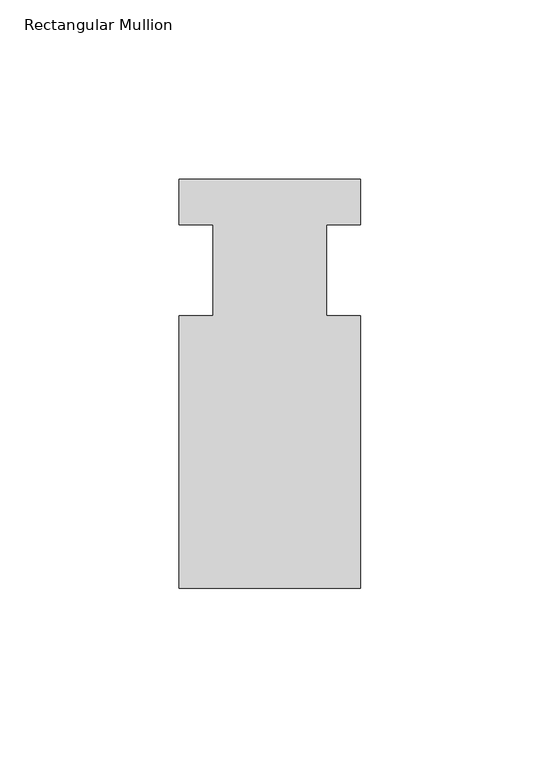
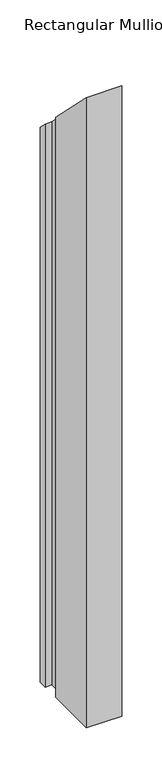
"""IFC4 building model written with IfcOpenShell, lengths in millimetres: member geometry, Rectangular Mullion."""

from ifc_helpers import new_model, si_unit, origin, place, context, project, spatial, faceted_brep, source, transform, mapped, element, save


def rectangular_mullion_b00e7019(model_context):
    return source(origin(), model_context, "Body", "Brep", [
        faceted_brep([(25.4, -101.6, -854.075), (-25.4, -101.6, -854.075), (-25.4, -25.4, -854.075), (-15.875, -25.4, -854.075), (-15.875, 0.0, -854.075), (-25.4, 0.0, -854.075), (-25.4, 12.7, -854.075), (25.4, 12.7, -854.075), (25.4, 0.0, -854.075), (15.875, 0.0, -854.075), (15.875, -25.4, -854.075), (25.4, -25.4, -854.075), (25.4, -25.4, 25.4), (25.4, -101.6, 101.6), (15.875, -25.4, 25.4), (15.875, 0.0, 0.0), (25.4, 0.0, 0.0), (25.4, 12.7, -12.7), (-25.4, 12.7, -12.7), (-25.4, 0.0, 0.0), (-15.875, 0.0, 0.0), (-15.875, -25.4, 25.4), (-25.4, -25.4, 25.4), (-25.4, -101.6, 101.6)], [[[0, 1, 2, 3, 4, 5, 6, 7, 8, 9, 10, 11]], [[12, 13, 0, 11]], [[14, 12, 11, 10]], [[15, 14, 10, 9]], [[16, 15, 9, 8]], [[17, 16, 8, 7]], [[18, 17, 7, 6]], [[19, 18, 6, 5]], [[20, 19, 5, 4]], [[21, 20, 4, 3]], [[22, 21, 3, 2]], [[23, 22, 2, 1]], [[13, 23, 1, 0]], [[13, 12, 14, 15, 16, 17, 18, 19, 20, 21, 22, 23]]]),
    ])


if __name__ == "__main__":
    model = new_model("IFC4")
    model_context = context("Model", 3, world=origin())
    ifc_project = project(units=[si_unit("LENGTHUNIT", "METRE", prefix="MILLI")], contexts=[model_context])
    site = spatial("IfcSite", under=ifc_project)
    building = spatial("IfcBuilding", under=site)
    placement = place(None, origin())
    rectangular_mullion_shape = rectangular_mullion_b00e7019(model_context)
    element("IfcMember", 1, ObjectType="Rectangular Mullion", at=placement, inside=building, context=model_context, shape_type="MappedRepresentation", body=[
        mapped(rectangular_mullion_shape, transform((0.0, 0.0, 0.0), x_axis=(1.0, 0.0, 0.0), y_axis=(0.0, 1.0, 0.0), z_axis=(0.0, 0.0, 1.0))),
    ])
    save(model, "model.ifc")
